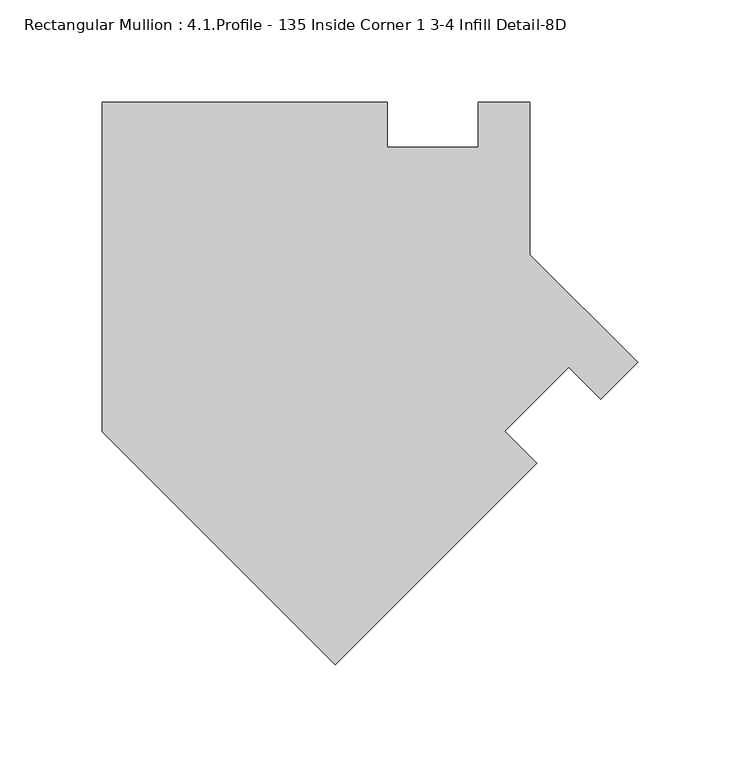
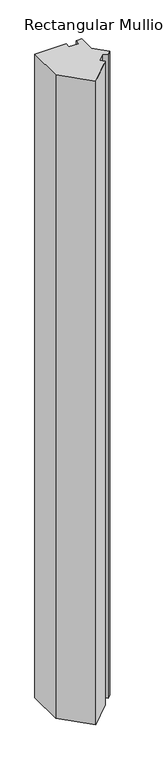
"""IFC4 building model written with IfcOpenShell, lengths in millimetres: member geometry, Rectangular Mullion : 4.1.Profile - 135 Inside Corner 1 3-4 Infill Detail-8D."""

import ifcopenshell
import ifcopenshell.guid

model = None  # the IFC model being written
_history = None  # IfcOwnerHistory: only IFC2X3 demands one
_inside = {}  # id of a spatial element -> (the spatial element, [elements in it])
_under = {}  # id of a project, library or spatial element -> (it, [spatial elements below it])
_declared = {}  # id of a project -> (the project, [libraries it declares])
_typed = {}  # id of a type object -> (the type object, [elements of that type])
_made_of = {}  # id of a material, layer set ... -> (it, [elements and type objects made of it])


def new_model(schema):
    """Start an empty IFC model of exactly this schema.

    Asked for "IFC4X3", IfcOpenShell would pick the latest addendum, in which some entities
    have other attributes; the version numbers below select the first issue.
    IFC2X3 requires an IfcOwnerHistory on every rooted entity: one is made here for all.
    """
    global model, _history
    if schema == "IFC4X3":
        model = ifcopenshell.file(schema_version=(4, 3, 0, 0))
    else:
        model = ifcopenshell.file(schema=schema)
    _inside.clear()
    _under.clear()
    _declared.clear()
    _typed.clear()
    _made_of.clear()
    _history = None
    if model.schema == "IFC2X3":
        org = make("IfcOrganization", Name="unknown")
        user = make(
            "IfcPersonAndOrganization",
            ThePerson=make("IfcPerson", FamilyName="unknown"),
            TheOrganization=org,
        )
        app = make(
            "IfcApplication",
            ApplicationDeveloper=org,
            Version="unknown",
            ApplicationFullName="unknown",
            ApplicationIdentifier="unknown",
        )
        _history = make(
            "IfcOwnerHistory",
            OwningUser=user,
            OwningApplication=app,
            ChangeAction="ADDED",
            CreationDate=0,
        )
    return model


def make(cls, **values):
    """One entity of the class cls with the attributes given. An attribute that is None is left unset."""
    return model.create_entity(
        cls, **{name: value for name, value in values.items() if value is not None}
    )


def rooted(cls, **values):
    """An entity with a GlobalId (a new one), such as an element, a storey or a relation."""
    return make(cls, GlobalId=ifcopenshell.guid.new(), OwnerHistory=_history, **values)


def si_unit(unit_type, name, prefix=None):
    """IfcSIUnit, for example si_unit("LENGTHUNIT", "METRE", prefix="MILLI")."""
    return make("IfcSIUnit", UnitType=unit_type, Prefix=prefix, Name=name)


def assignment(units):
    """IfcUnitAssignment: the units of a project."""
    return None if units is None else make("IfcUnitAssignment", Units=units)


def point(xyz):
    """IfcCartesianPoint."""
    return None if xyz is None else make("IfcCartesianPoint", Coordinates=xyz)


def direction(xyz):
    """IfcDirection."""
    return None if xyz is None else make("IfcDirection", DirectionRatios=xyz)


def frame(location, z_axis=None, x_axis=None):
    """IfcAxis2Placement3D, a coordinate frame: its origin and axes. An axis left out is left unset."""
    return make(
        "IfcAxis2Placement3D",
        Location=point(location),
        Axis=direction(z_axis),
        RefDirection=direction(x_axis),
    )


def origin():
    """The frame at (0, 0, 0) with its axes left unset."""
    return frame((0.0, 0.0, 0.0))


def place(relative_to, where):
    """IfcLocalPlacement: puts the frame where relative to a parent placement (None: the world)."""
    return make(
        "IfcLocalPlacement", PlacementRelTo=relative_to, RelativePlacement=where
    )


def context(
    kind, dimensions, precision=None, world=None, true_north=None, identifier=None
):
    """IfcGeometricRepresentationContext, for example the 3D "Model" context."""
    return make(
        "IfcGeometricRepresentationContext",
        ContextIdentifier=identifier,
        ContextType=kind,
        CoordinateSpaceDimension=dimensions,
        Precision=precision,
        WorldCoordinateSystem=world,
        TrueNorth=true_north,
    )


def project(units=None, contexts=None):
    """IfcProject with its units and contexts."""
    return rooted(
        "IfcProject",
        Name="project",
        RepresentationContexts=contexts,
        UnitsInContext=assignment(units),
    )


def spatial(cls, under=None, at=None, **own):
    """A site, building, storey or space (cls), placed at a placement, below another one or the project."""
    s = rooted(cls, ObjectPlacement=at, **own)
    if under is not None:
        _under.setdefault(under.id(), (under, []))[1].append(s)
    return s


def polyline(points):
    """IfcPolyline through the points."""
    return make("IfcPolyline", Points=[point(p) for p in points])


def outline(outer, holes=None, kind="AREA"):
    """IfcArbitraryClosedProfileDef: a profile drawn as a closed curve; with holes, ...WithVoids."""
    if holes is None:
        return make("IfcArbitraryClosedProfileDef", ProfileType=kind, OuterCurve=outer)
    return make(
        "IfcArbitraryProfileDefWithVoids",
        ProfileType=kind,
        OuterCurve=outer,
        InnerCurves=holes,
    )


def extrude(swept, where, along, depth):
    """IfcExtrudedAreaSolid: the profile swept, set in the frame where, extruded along a direction by depth."""
    return make(
        "IfcExtrudedAreaSolid",
        SweptArea=swept,
        Position=where,
        ExtrudedDirection=direction(along),
        Depth=depth,
    )


def shape(context_of_items, identifier, shape_type, items):
    """IfcShapeRepresentation: the items that make up one representation, for example the "Body"."""
    return make(
        "IfcShapeRepresentation",
        ContextOfItems=context_of_items,
        RepresentationIdentifier=identifier,
        RepresentationType=shape_type,
        Items=items,
    )


def source(mapping_origin, context_of_items, identifier, shape_type, items):
    """IfcRepresentationMap: a shape defined once, which mapped items show again and again."""
    return make(
        "IfcRepresentationMap",
        MappingOrigin=mapping_origin,
        MappedRepresentation=shape(context_of_items, identifier, shape_type, items),
    )


def transform(
    local_origin,
    x_axis=None,
    y_axis=None,
    z_axis=None,
    scale=None,
    scale2=None,
    scale3=None,
    uniform=True,
):
    """IfcCartesianTransformationOperator3D, or its non-uniform kind. x_axis, y_axis, z_axis: its Axis1, 2, 3."""
    if uniform:
        return make(
            "IfcCartesianTransformationOperator3D",
            Axis1=direction(x_axis),
            Axis2=direction(y_axis),
            LocalOrigin=point(local_origin),
            Scale=scale,
            Axis3=direction(z_axis),
        )
    return make(
        "IfcCartesianTransformationOperator3DnonUniform",
        Axis1=direction(x_axis),
        Axis2=direction(y_axis),
        LocalOrigin=point(local_origin),
        Scale=scale,
        Axis3=direction(z_axis),
        Scale2=scale2,
        Scale3=scale3,
    )


def mapped(mapping_source, mapping_target):
    """IfcMappedItem: shows the shape of a source again, moved by a transform."""
    return make(
        "IfcMappedItem", MappingSource=mapping_source, MappingTarget=mapping_target
    )


def made_of(thing, what):
    """Note that an element or type object is made of a material, layer set ...; save() writes the relation."""
    if what is not None:
        _made_of.setdefault(what.id(), (what, []))[1].append(thing)
    return thing


def element(
    cls,
    number,
    at=None,
    inside=None,
    cuts=None,
    type_object=None,
    material=None,
    context=None,
    identifier="Body",
    shape_type=None,
    held_by="IfcProductDefinitionShape",
    body=None,
    shapes=None,
    **own,
):
    """One element of the class cls, such as IfcWall. Its Tag is "e" and its number.

    at: its placement. inside: the storey or other place that contains it. cuts: it is an
    opening in that element (IfcRelVoidsElement). A single representation is given by context,
    identifier, shape_type and body (its items); several are given by shapes. held_by: the class
    of the entity that holds the representations. save() writes the other relations.
    """
    e = rooted(cls, Tag="e%d" % number, ObjectPlacement=at, **own)
    if body is not None:
        shapes = [shape(context, identifier, shape_type, body)]
    if shapes is not None:
        e.Representation = make(held_by, Representations=shapes)
    if inside is not None:
        _inside.setdefault(inside.id(), (inside, []))[1].append(e)
    if cuts is not None:
        rooted(
            "IfcRelVoidsElement", RelatingBuildingElement=cuts, RelatedOpeningElement=e
        )
    if type_object is not None:
        _typed.setdefault(type_object.id(), (type_object, []))[1].append(e)
    return made_of(e, material)


def aggregate(whole, parts):
    """IfcRelAggregates: a whole, such as a stair, and the parts it consists of."""
    return rooted("IfcRelAggregates", RelatingObject=whole, RelatedObjects=parts)


def save(model, path):
    """Write the relations noted so far, then the file.

    IfcRelAggregates (storeys below a building ...), IfcRelContainedInSpatialStructure (elements
    in a storey), IfcRelDefinesByType, IfcRelAssociatesMaterial and IfcRelDeclares: one each for
    every whole, place, type object, material and project.
    """
    for whole, parts in _under.values():
        aggregate(whole, parts)
    for where, things in _inside.values():
        rooted(
            "IfcRelContainedInSpatialStructure",
            RelatedElements=things,
            RelatingStructure=where,
        )
    for kind, things in _typed.values():
        rooted("IfcRelDefinesByType", RelatedObjects=things, RelatingType=kind)
    for what, things in _made_of.values():
        rooted("IfcRelAssociatesMaterial", RelatedObjects=things, RelatingMaterial=what)
    for by, libraries in _declared.values():
        rooted("IfcRelDeclares", RelatingContext=by, RelatedDefinitions=libraries)
    model.write(path)


def rectangular_mullion_4_1_profile_135_inside_corner_1_3_4_3352ccdf(model_context):
    return source(origin(), model_context, "Body", "SweptSolid", [
        extrude(outline(polyline([(-122.6420472, 124.7947087), (-122.6420472, 102.5698219), (-78.1936435, 102.5698219), (-78.1936435, 124.7947087), (-52.7920472, 124.7947087), (-52.7920472, 50.13548), (0.0, -2.6565676), (-18.0801948, -20.7367623), (-33.7955629, -5.0213943), (-65.1014562, -36.3272879), (-49.3860881, -52.0426561), (-148.1742224, -150.8307904), (-262.3420528, -36.6629599), (-262.3420528, 124.7947087), (-122.6420472, 124.7947087)])), frame((0.0, 0.0, -3048.0), z_axis=(0.0, 0.0, 1.0), x_axis=(1.0, 0.0, 0.0)), (0.0, 0.0, 1.0), 3048.0),
    ])


if __name__ == "__main__":
    model = new_model("IFC4")
    model_context = context("Model", 3, world=origin())
    ifc_project = project(units=[si_unit("LENGTHUNIT", "METRE", prefix="MILLI")], contexts=[model_context])
    site = spatial("IfcSite", under=ifc_project)
    building = spatial("IfcBuilding", under=site)
    placement = place(None, origin())
    rectangular_mullion_4_1_profile_135_inside_corner_1_3_4_shape = rectangular_mullion_4_1_profile_135_inside_corner_1_3_4_3352ccdf(model_context)
    element("IfcMember", 1, ObjectType="Rectangular Mullion : 4.1.Profile - 135 Inside Corner 1 3-4 Infill Detail-8D", at=placement, inside=building, context=model_context, shape_type="MappedRepresentation", body=[
        mapped(rectangular_mullion_4_1_profile_135_inside_corner_1_3_4_shape, transform((0.0, 0.0, 0.0), x_axis=(1.0, 0.0, 0.0), y_axis=(0.0, 1.0, 0.0), z_axis=(0.0, 0.0, 1.0))),
    ])
    save(model, "model.ifc")
